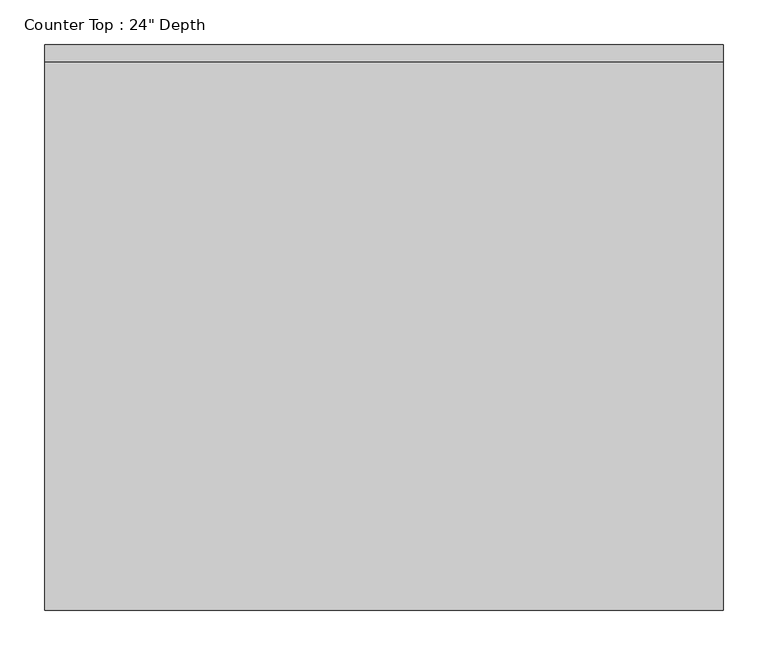
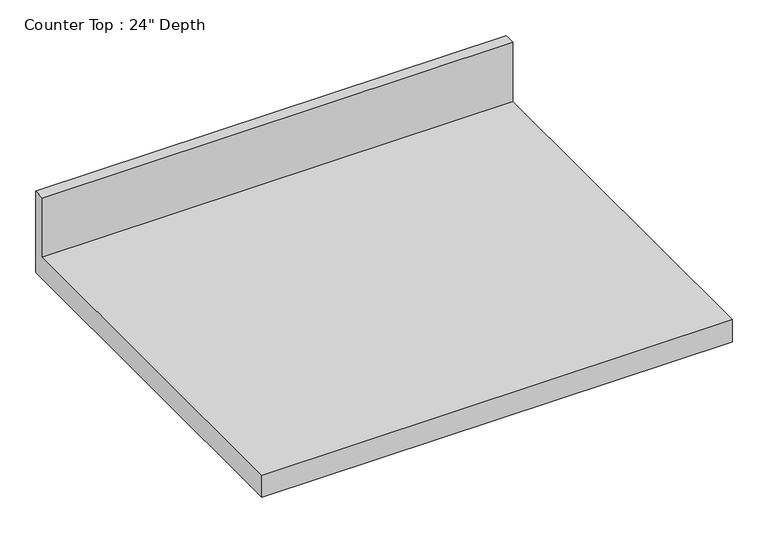
"""IFC4 building model written with IfcOpenShell, lengths in millimetres: furniture geometry."""

from ifc_helpers import new_model, si_unit, frame, origin, place, context, project, spatial, polyline, outline, extrude, source, transform, mapped, element, save


def furniture_0feaa1f6(model_context):
    return source(origin(), model_context, "Body", "SweptSolid", [
        extrude(outline(polyline([(0.0, 1016.0), (0.0, 876.3), (-635.0, 876.3), (-635.0, 914.4), (-19.05, 914.4), (-19.05, 1016.0), (0.0, 1016.0)])), frame((-1200.4622951, 0.0, 0.0), z_axis=(1.0, 0.0, 0.0), x_axis=(0.0, 1.0, 0.0)), (0.0, 0.0, 1.0), 762.0),
    ])


if __name__ == "__main__":
    model = new_model("IFC4")
    model_context = context("Model", 3, world=origin())
    ifc_project = project(units=[si_unit("LENGTHUNIT", "METRE", prefix="MILLI")], contexts=[model_context])
    site = spatial("IfcSite", under=ifc_project)
    building = spatial("IfcBuilding", under=site)
    placement = place(None, origin())
    furniture_shape = furniture_0feaa1f6(model_context)
    element("IfcFurniture", 1, ObjectType="Counter Top : 24\" Depth", at=placement, inside=building, context=model_context, shape_type="MappedRepresentation", body=[
        mapped(furniture_shape, transform((0.0, 0.0, 0.0), x_axis=(1.0, 0.0, 0.0), y_axis=(0.0, 1.0, 0.0), z_axis=(0.0, 0.0, 1.0))),
    ])
    save(model, "model.ifc")
